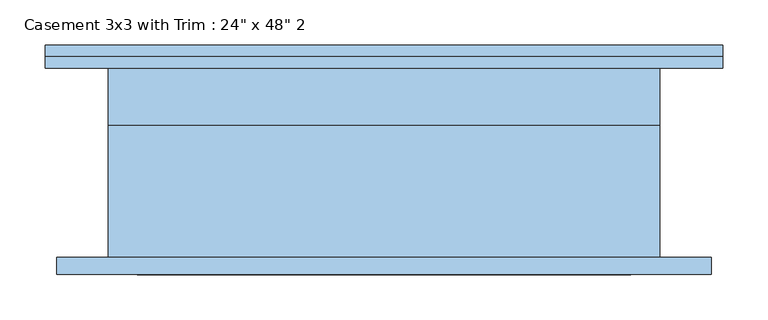
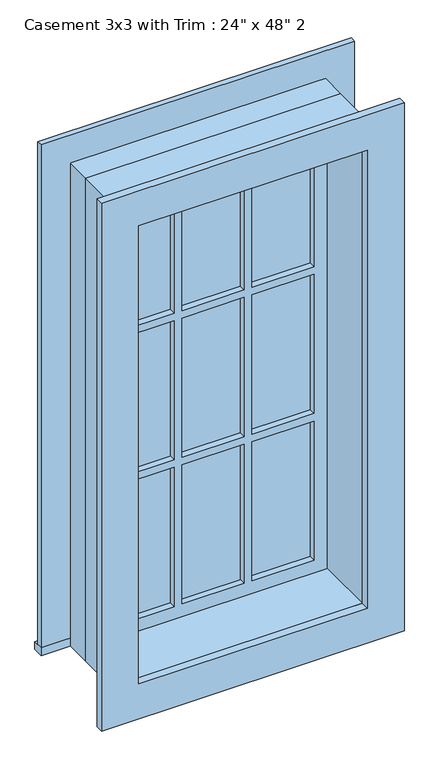
"""IFC4 building model written with IfcOpenShell, lengths in millimetres: window geometry."""

from ifc_helpers import new_model, si_unit, frame, origin, place, context, project, spatial, polyline, outline, extrude, source, transform, mapped, element, save


def window_9cec1607(model_context):
    return source(origin(), model_context, "Body", "SweptSolid", [
        extrude(outline(polyline([(-374.65, 130.175), (374.65, 130.175), (374.65, 104.775), (-374.65, 104.775), (-374.65, 130.175)])), frame((0.0, 0.0, 609.6), z_axis=(0.0, 0.0, 1.0), x_axis=(1.0, 0.0, 0.0)), (0.0, 0.0, 1.0), 19.05),
        extrude(outline(polyline([(1809.75, -285.75), (1809.75, 285.75), (628.65, 285.75), (628.65, 374.65), (1898.65, 374.65), (1898.65, -374.65), (628.65, -374.65), (628.65, -285.75), (1809.75, -285.75)])), frame((0.0, 104.775, 0.0), z_axis=(0.0, 1.0, 0.0), x_axis=(0.0, 0.0, 1.0)), (0.0, 0.0, 1.0), 12.7),
        extrude(outline(polyline([(93.1333333, 69.85), (241.3, 69.85), (241.3, 57.15), (93.1333333, 57.15), (93.1333333, 69.85)])), frame((0.0, 0.0, 1413.9333333), z_axis=(0.0, 0.0, 1.0), x_axis=(1.0, 0.0, 0.0)), (0.0, 0.0, 1.0), 351.3666667),
        extrude(outline(polyline([(-74.0833333, 69.85), (74.0833333, 69.85), (74.0833333, 57.15), (-74.0833333, 57.15), (-74.0833333, 69.85)])), frame((0.0, 0.0, 1413.9333333), z_axis=(0.0, 0.0, 1.0), x_axis=(1.0, 0.0, 0.0)), (0.0, 0.0, 1.0), 351.3666667),
        extrude(outline(polyline([(-241.3, 69.85), (-93.1333333, 69.85), (-93.1333333, 57.15), (-241.3, 57.15), (-241.3, 69.85)])), frame((0.0, 0.0, 1413.9333333), z_axis=(0.0, 0.0, 1.0), x_axis=(1.0, 0.0, 0.0)), (0.0, 0.0, 1.0), 351.3666667),
        extrude(outline(polyline([(-241.3, 69.85), (-93.1333333, 69.85), (-93.1333333, 57.15), (-241.3, 57.15), (-241.3, 69.85)])), frame((0.0, 0.0, 1043.5166667), z_axis=(0.0, 0.0, 1.0), x_axis=(1.0, 0.0, 0.0)), (0.0, 0.0, 1.0), 351.3666667),
        extrude(outline(polyline([(-74.0833333, 69.85), (74.0833333, 69.85), (74.0833333, 57.15), (-74.0833333, 57.15), (-74.0833333, 69.85)])), frame((0.0, 0.0, 1043.5166667), z_axis=(0.0, 0.0, 1.0), x_axis=(1.0, 0.0, 0.0)), (0.0, 0.0, 1.0), 351.3666667),
        extrude(outline(polyline([(93.1333333, 69.85), (241.3, 69.85), (241.3, 57.15), (93.1333333, 57.15), (93.1333333, 69.85)])), frame((0.0, 0.0, 1043.5166667), z_axis=(0.0, 0.0, 1.0), x_axis=(1.0, 0.0, 0.0)), (0.0, 0.0, 1.0), 351.3666667),
        extrude(outline(polyline([(93.1333333, 69.85), (241.3, 69.85), (241.3, 57.15), (93.1333333, 57.15), (93.1333333, 69.85)])), frame((0.0, 0.0, 673.1), z_axis=(0.0, 0.0, 1.0), x_axis=(1.0, 0.0, 0.0)), (0.0, 0.0, 1.0), 351.3666667),
        extrude(outline(polyline([(-74.0833333, 69.85), (74.0833333, 69.85), (74.0833333, 57.15), (-74.0833333, 57.15), (-74.0833333, 69.85)])), frame((0.0, 0.0, 673.1), z_axis=(0.0, 0.0, 1.0), x_axis=(1.0, 0.0, 0.0)), (0.0, 0.0, 1.0), 351.3666667),
        extrude(outline(polyline([(-241.3, 69.85), (-93.1333333, 69.85), (-93.1333333, 57.15), (-241.3, 57.15), (-241.3, 69.85)])), frame((0.0, 0.0, 673.1), z_axis=(0.0, 0.0, 1.0), x_axis=(1.0, 0.0, 0.0)), (0.0, 0.0, 1.0), 351.3666667),
        extrude(outline(polyline([(1885.95, 361.95), (1885.95, -361.95), (552.45, -361.95), (552.45, 361.95), (1885.95, 361.95)]), holes=[polyline([(1797.05, 273.05), (641.35, 273.05), (641.35, -273.05), (1797.05, -273.05), (1797.05, 273.05)])]), frame((0.0, -123.825, 0.0), z_axis=(0.0, 1.0, 0.0), x_axis=(0.0, 0.0, 1.0)), (0.0, 0.0, 1.0), 19.05),
        extrude(outline(polyline([(1809.75, -285.75), (628.65, -285.75), (628.65, 285.75), (1809.75, 285.75), (1809.75, -285.75)]), holes=[polyline([(1765.3, -93.1333333), (1413.9333333, -93.1333333), (1413.9333333, -241.3), (1765.3, -241.3), (1765.3, -93.1333333)]), polyline([(1394.8833333, -93.1333333), (1043.5166667, -93.1333333), (1043.5166667, -241.3), (1394.8833333, -241.3), (1394.8833333, -93.1333333)]), polyline([(1024.4666667, -93.1333333), (673.1, -93.1333333), (673.1, -241.3), (1024.4666667, -241.3), (1024.4666667, -93.1333333)]), polyline([(1765.3, 74.0833333), (1413.9333333, 74.0833333), (1413.9333333, -74.0833333), (1765.3, -74.0833333), (1765.3, 74.0833333)]), polyline([(1394.8833333, 74.0833333), (1043.5166667, 74.0833333), (1043.5166667, -74.0833333), (1394.8833333, -74.0833333), (1394.8833333, 74.0833333)]), polyline([(1024.4666667, 74.0833333), (673.1, 74.0833333), (673.1, -74.0833333), (1024.4666667, -74.0833333), (1024.4666667, 74.0833333)]), polyline([(1765.3, 241.3), (1413.9333333, 241.3), (1413.9333333, 93.1333333), (1765.3, 93.1333333), (1765.3, 241.3)]), polyline([(1394.8833333, 241.3), (1043.5166667, 241.3), (1043.5166667, 93.1333333), (1394.8833333, 93.1333333), (1394.8833333, 241.3)]), polyline([(1024.4666667, 241.3), (673.1, 241.3), (673.1, 93.1333333), (1024.4666667, 93.1333333), (1024.4666667, 241.3)])]), frame((0.0, 41.275, 0.0), z_axis=(0.0, 1.0, 0.0), x_axis=(0.0, 0.0, 1.0)), (0.0, 0.0, 1.0), 44.45),
        extrude(outline(polyline([(1828.8, -304.8), (609.6, -304.8), (609.6, 304.8), (1828.8, 304.8), (1828.8, -304.8)]), holes=[polyline([(1797.05, -273.05), (1797.05, 273.05), (641.35, 273.05), (641.35, -273.05), (1797.05, -273.05)])]), frame((0.0, -104.775, 0.0), z_axis=(0.0, 1.0, 0.0), x_axis=(0.0, 0.0, 1.0)), (0.0, 0.0, 1.0), 146.05),
        extrude(outline(polyline([(1828.8, 304.8), (1828.8, -304.8), (609.6, -304.8), (609.6, 304.8), (1828.8, 304.8)]), holes=[polyline([(1809.75, 285.75), (628.65, 285.75), (628.65, -285.75), (1809.75, -285.75), (1809.75, 285.75)])]), frame((0.0, 41.275, 0.0), z_axis=(0.0, 1.0, 0.0), x_axis=(0.0, 0.0, 1.0)), (0.0, 0.0, 1.0), 63.5),
    ])


if __name__ == "__main__":
    model = new_model("IFC4")
    model_context = context("Model", 3, world=origin())
    ifc_project = project(units=[si_unit("LENGTHUNIT", "METRE", prefix="MILLI")], contexts=[model_context])
    site = spatial("IfcSite", under=ifc_project)
    building = spatial("IfcBuilding", under=site)
    placement = place(None, origin())
    window_shape = window_9cec1607(model_context)
    element("IfcWindow", 1, ObjectType="Casement 3x3 with Trim : 24\" x 48\" 2", at=placement, inside=building, context=model_context, shape_type="MappedRepresentation", body=[
        mapped(window_shape, transform((0.0, 0.0, 0.0), x_axis=(1.0, 0.0, 0.0), y_axis=(0.0, 1.0, 0.0), z_axis=(0.0, 0.0, 1.0))),
    ])
    save(model, "model.ifc")
